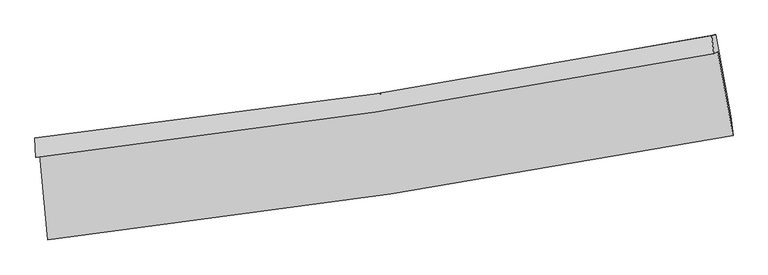
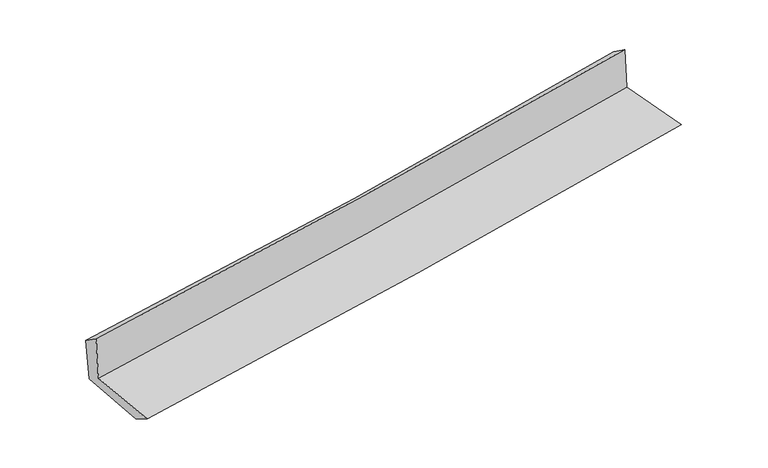
"""IFC4 building model written with IfcOpenShell, lengths in millimetres: proxy geometry."""

from ifc_helpers import new_model, si_unit, frame, origin, place, context, project, spatial, source, transform, mapped, element, save
from ifc_brep_helpers import plane_surface, spline_curve, spline_surface, advanced_brep


def generic_models_90983cb5(model_context):
    return source(origin(), model_context, "Body", "AdvancedBrep", [
        advanced_brep(
        [(-2697.572488, -1886.9989609, 1643.6738831), (-2633.4971828, -2555.7948149, 1630.9963048), (2771.3317568, -1731.2364846, 2111.0187592), (2649.7968346, -1070.5144757, 2118.9247891), (-2728.781395, -1904.129606, 2048.3139424), (2619.8729731, -1086.9397561, 2506.9035506), (-2734.9727696, -1750.4482374, 1946.0430763), (2602.2546381, -945.12572, 2408.8347144), (-2703.3924792, -1752.6640935, 1559.3076559), (2633.5720872, -937.2914377, 2022.9525051), (-2641.3452344, -2387.44883, 1532.1063412), (2752.9759662, -1579.2668784, 1999.7503488)],
        [
            (0, 1),
            (1, 2, spline_curve(3, [(-2633.4971828, -2555.7948149, 1630.9963048), (-1729.636779096, -2453.039024813, 1724.673861586), (-827.650461661, -2333.014330351, 1811.488928963), (973.964981479, -2058.214967671, 1971.517640207), (1873.588310583, -1903.386885101, 2044.710057109), (2771.3317568, -1731.2364846, 2111.0187592)], [4, 2, 4], [0.0, 8.950803986607594, 17.9154400144387])),
            (2, 3),
            (3, 0, spline_curve(3, [(2649.7968346, -1070.5144757, 2118.9247891), (1762.13009259, -1240.945821779, 2053.467620155), (872.336923824, -1394.241180582, 1981.098883919), (-910.126073707, -1666.349836464, 1822.660603321), (-1802.789346136, -1785.215972535, 1736.612370807), (-2697.572488, -1886.9989609, 1643.6738831)], [4, 2, 4], [0.0, 8.964636027831107, 17.9154400144387])),
            (4, 0),
            (3, 5),
            (5, 4, spline_curve(3, [(2619.8729731, -1086.9397561, 2506.9035506), (1732.088335181, -1257.435815493, 2442.974965386), (842.129011357, -1410.822377281, 2372.760517387), (-940.762483608, -1683.16623637, 2219.877931847), (-1833.687949241, -1802.176291158, 2137.229177222), (-2728.781395, -1904.129606, 2048.3139424)], [4, 2, 4], [0.0, 8.916756990450052, 17.81975581493675])),
            (6, 4),
            (5, 7),
            (7, 6, spline_curve(3, [(2602.2546381, -945.12572, 2408.8347144), (1717.4831856, -1116.49370371, 2335.226676772), (829.983009212, -1269.325419149, 2259.825528917), (-949.101207362, -1537.709100851, 2105.556120246), (-1840.676833452, -1653.318224746, 2026.693388717), (-2734.9727696, -1750.4482374, 1946.0430763)], [4, 2, 4], [0.0, 8.906302537324697, 17.798863039449873])),
            (8, 6),
            (7, 9),
            (9, 8, spline_curve(3, [(2633.5720872, -937.2914377, 2022.9525051), (1749.430134455, -1113.624434947, 1949.208860614), (862.266402185, -1269.775545376, 1873.668751237), (-916.731104482, -1541.504199459, 1719.114928715), (-1808.555560811, -1657.143973835, 1640.106755138), (-2703.3924792, -1752.6640935, 1559.3076559)], [4, 2, 4], [0.0, 8.89730960893234, 17.78089105836026])),
            (10, 8),
            (9, 11),
            (11, 10, spline_curve(3, [(2752.9759662, -1579.2668784, 1999.7503488), (1859.289024717, -1759.858849952, 1925.070142968), (962.569380046, -1917.537652618, 1848.728336384), (-835.547038533, -2186.860983104, 1692.841876862), (-1736.934460394, -2298.576164332, 1613.302347829), (-2641.3452344, -2387.44883, 1532.1063412)], [4, 2, 4], [0.0, 8.944730822469388, 17.875660316576365])),
            (1, 10),
            (11, 2),
        ],
        [
            spline_surface(3, 3, [[(-2697.572488, -1886.9989609, 1643.6738831), (-1802.789346051, -1785.215972487, 1736.612370783), (-910.126073826, -1666.349836374, 1822.660603257), (872.336923944, -1394.241180672, 1981.098883983), (1762.130092588, -1240.94582171, 2053.467620131), (2649.7968346, -1070.5144757, 2118.9247891)], [(-2676.214052945, -2109.930912236, 1639.448023675), (-1778.405157124, -2007.823656599, 1732.63286769), (-882.634203102, -1888.571334396, 1818.936711856), (906.212943149, -1615.56577631, 1977.905135997), (1799.282831885, -1461.759509533, 2050.548432495), (2690.308475325, -1290.755145324, 2116.289445802)], [(-2654.855617855, -2332.862863564, 1635.222164225), (-1754.020968163, -2230.431340703, 1728.653364572), (-855.142332422, -2110.792832416, 1815.2128205), (940.088962311, -1836.890371945, 1974.711388056), (1836.435571207, -1682.573197386, 2047.629244854), (2730.820116075, -1510.995814976, 2113.654102498)], [(-2633.4971828, -2555.7948149, 1630.9963048), (-1729.636779237, -2453.039024815, 1724.673861479), (-827.650461698, -2333.014330438, 1811.488929099), (973.964981516, -2058.214967583, 1971.51764007), (1873.588310505, -1903.386885209, 2044.710057218), (2771.3317568, -1731.2364846, 2111.0187592)]], [4, 4], [4, 2, 4], [0.0, 2.2038618054153747], [0.0, 8.950803986607594, 17.9154400144387]),
            spline_surface(3, 3, [[(-2728.781395, -1904.129606, 2048.3139424), (-1833.687949313, -1802.17629111, 2137.229177275), (-940.762483669, -1683.166236287, 2219.877931928), (842.129011418, -1410.822377365, 2372.760517306), (1732.088335125, -1257.435815491, 2442.974965413), (2619.8729731, -1086.9397561, 2506.9035506)], [(-2718.378425993, -1898.419390984, 1913.433922618), (-1823.388414885, -1796.522851586, 2003.690241763), (-930.550347071, -1677.560769644, 2087.472155711), (852.198315577, -1405.295311796, 2242.206639539), (1742.102254278, -1251.939150887, 2313.139183673), (2629.847593599, -1081.464662623, 2377.577296787)], [(-2707.975457007, -1892.709175916, 1778.553902882), (-1813.088880479, -1790.869412011, 1870.151306295), (-920.338210424, -1671.955303016, 1955.066379473), (862.267619785, -1399.768246241, 2111.65276175), (1752.116173434, -1246.442486314, 2183.303401871), (2639.822214101, -1075.989569177, 2248.251042913)], [(-2697.572488, -1886.9989609, 1643.6738831), (-1802.789346051, -1785.215972487, 1736.612370783), (-910.126073826, -1666.349836374, 1822.660603257), (872.336923944, -1394.241180672, 1981.098883983), (1762.130092588, -1240.94582171, 2053.467620131), (2649.7968346, -1070.5144757, 2118.9247891)]], [4, 4], [4, 2, 4], [0.0, 1.2990777654571772], [0.0, 8.9029988244867, 17.81975581493675]),
            spline_surface(3, 3, [[(-2734.9727696, -1750.4482374, 1946.0430763), (-1840.676833506, -1653.318224766, 2026.693388831), (-949.10120742, -1537.709100996, 2105.556120341), (829.983009269, -1269.325419004, 2259.825528822), (1717.48318572, -1116.493703704, 2335.226676673), (2602.2546381, -945.12572, 2408.8347144)], [(-2732.908978067, -1801.675360235, 1980.133365013), (-1838.347205442, -1702.937580182, 2063.538651659), (-946.32163285, -1586.194812755, 2143.663390862), (834.031676639, -1316.491071786, 2297.470524976), (1722.351568846, -1163.474407665, 2371.142772916), (2608.127416424, -992.397065399, 2441.524326463)], [(-2730.845186533, -1852.902483165, 2014.223653687), (-1836.017577377, -1752.556935694, 2100.383914447), (-943.542058239, -1634.680524528, 2181.770661407), (838.080344049, -1363.656724583, 2335.115521153), (1727.219951999, -1210.45511153, 2407.05886917), (2614.000194776, -1039.668410701, 2474.213938537)], [(-2728.781395, -1904.129606, 2048.3139424), (-1833.687949313, -1802.17629111, 2137.229177275), (-940.762483669, -1683.166236287, 2219.877931928), (842.129011418, -1410.822377365, 2372.760517306), (1732.088335125, -1257.435815491, 2442.974965413), (2619.8729731, -1086.9397561, 2506.9035506)]], [4, 4], [4, 2, 4], [0.0, 0.6013961260075343], [0.0, 8.892560502125177, 17.798863039449873]),
            spline_surface(3, 3, [[(-2703.3924792, -1752.6640935, 1559.3076559), (-1808.555560892, -1657.143973916, 1640.10675518), (-916.731104413, -1541.504199312, 1719.114928706), (862.266402116, -1269.775545523, 1873.668751245), (1749.430134486, -1113.624434883, 1949.208860756), (2633.5720872, -937.2914377, 2022.9525051)], [(-2713.919242685, -1751.925474809, 1688.219462687), (-1819.262651781, -1655.868724208, 1768.968966384), (-927.521138737, -1540.239166532, 1847.928659246), (851.505271179, -1269.625503341, 2002.3876771), (1738.781151585, -1114.580857811, 2077.881466037), (2623.132937521, -939.902865121, 2151.579908175)], [(-2724.446006115, -1751.186856091, 1817.131269513), (-1829.969742616, -1654.593474474, 1897.831177627), (-938.311173096, -1538.974133777, 1976.742389801), (840.744140207, -1269.475461185, 2131.106602968), (1728.13216862, -1115.537280776, 2206.554071392), (2612.693787779, -942.514292579, 2280.207311325)], [(-2734.9727696, -1750.4482374, 1946.0430763), (-1840.676833506, -1653.318224766, 2026.693388831), (-949.10120742, -1537.709100996, 2105.556120341), (829.983009269, -1269.325419004, 2259.825528822), (1717.48318572, -1116.493703704, 2335.226676673), (2602.2546381, -945.12572, 2408.8347144)]], [4, 4], [4, 2, 4], [0.0, 1.2718333361503475], [0.0, 8.883581449427922, 17.78089105836026]),
            spline_surface(3, 3, [[(-2641.3452344, -2387.44883, 1532.1063412), (-1736.934460379, -2298.576164186, 1613.302347741), (-835.547038395, -2186.860983043, 1692.841876889), (962.569379908, -1917.537652679, 1848.728336357), (1859.289024794, -1759.858849919, 1925.070143072), (2752.9759662, -1579.2668784, 1999.7503488)], [(-2662.027649323, -2175.853917845, 1541.173446098), (-1760.808160539, -2084.765434108, 1622.237150218), (-862.608393722, -1971.742055141, 1701.59956082), (929.13505399, -1701.616950302, 1857.041807978), (1822.669394679, -1544.447378222, 1933.116382311), (2713.174673188, -1365.275064815, 2007.484400911)], [(-2682.710064277, -1964.259005655, 1550.240551002), (-1784.681860731, -1870.954703995, 1631.171952703), (-889.669749087, -1756.623127214, 1710.357244775), (895.700728034, -1485.6962479, 1865.355279624), (1786.049764601, -1329.03590658, 1941.162621517), (2673.373380212, -1151.283251285, 2015.218452989)], [(-2703.3924792, -1752.6640935, 1559.3076559), (-1808.555560892, -1657.143973916, 1640.10675518), (-916.731104413, -1541.504199312, 1719.114928706), (862.266402116, -1269.775545523, 1873.668751245), (1749.430134486, -1113.624434883, 1949.208860756), (2633.5720872, -937.2914377, 2022.9525051)]], [4, 4], [4, 2, 4], [0.0, 2.14370748972249], [0.0, 8.930929494106977, 17.875660316576365]),
            spline_surface(3, 3, [[(-2633.4971828, -2555.7948149, 1630.9963048), (-1729.636779237, -2453.039024815, 1724.673861479), (-827.650461698, -2333.014330438, 1811.488929099), (973.964981516, -2058.214967583, 1971.51764007), (1873.588310505, -1903.386885209, 2044.710057218), (2771.3317568, -1731.2364846, 2111.0187592)], [(-2636.113199987, -2499.679486593, 1598.032983609), (-1732.069339604, -2401.551404598, 1687.550023575), (-830.282653939, -2284.296547983, 1771.939911724), (970.166447638, -2011.322529291, 1930.587872194), (1868.821881943, -1855.544206798, 2004.83008583), (2765.213159942, -1680.579949219, 2073.929289061)], [(-2638.729217213, -2443.564158307, 1565.069662391), (-1734.501900011, -2350.063784403, 1650.426185645), (-832.914846154, -2235.578765499, 1732.390894264), (966.367913786, -1964.430090971, 1889.658104233), (1864.055453355, -1807.70152833, 1964.950114459), (2759.094563058, -1629.923413781, 2036.839818939)], [(-2641.3452344, -2387.44883, 1532.1063412), (-1736.934460379, -2298.576164186, 1613.302347741), (-835.547038395, -2186.860983043, 1692.841876889), (962.569379908, -1917.537652679, 1848.728336357), (1859.289024794, -1759.858849919, 1925.070143072), (2752.9759662, -1579.2668784, 1999.7503488)]], [4, 4], [4, 2, 4], [0.0, 0.615832918459113], [0.0, 8.987675406035764, 17.989239832198194]),
            plane_surface(frame((2671.6340427, -1225.0624588, 2194.7307779), z_axis=(0.9802670687902518, 0.17931735502326807, 0.08319711553189167), x_axis=(-0.08087553081158369, -0.020231588333975845, 0.9965188564946622))),
            plane_surface(frame((-2689.9269248, -2039.5807571, 1726.7402006), z_axis=(-0.9923551111962311, -0.09354862440470274, -0.08049837361527065), x_axis=(-0.09535329638613504, 0.9952646986886605, 0.01886606510292244))),
        ],
        [
            (0, [[1, 2, 3, 4]]),
            (1, [[5, -4, 6, 7]]),
            (2, [[8, -7, 9, 10]]),
            (3, [[11, -10, 12, 13]]),
            (4, [[14, -13, 15, 16]]),
            (5, [[17, -16, 18, -2]]),
            (6, [[-12, -9, -6, -3, -18, -15]]),
            (7, [[-1, -5, -8, -11, -14, -17]]),
        ],
    ),
    ])


if __name__ == "__main__":
    model = new_model("IFC4")
    model_context = context("Model", 3, world=origin())
    ifc_project = project(units=[si_unit("LENGTHUNIT", "METRE", prefix="MILLI")], contexts=[model_context])
    site = spatial("IfcSite", under=ifc_project)
    building = spatial("IfcBuilding", under=site)
    placement = place(None, origin())
    generic_models_shape = generic_models_90983cb5(model_context)
    element("IfcBuildingElementProxy", 1, Name="Generic Models", at=placement, inside=building, context=model_context, shape_type="MappedRepresentation", body=[
        mapped(generic_models_shape, transform((0.0, 0.0, 0.0), x_axis=(1.0, 0.0, 0.0), y_axis=(0.0, 1.0, 0.0), z_axis=(0.0, 0.0, 1.0))),
    ])
    save(model, "model.ifc")
